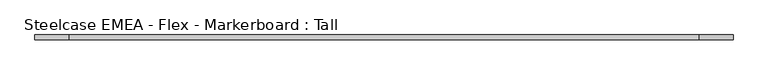
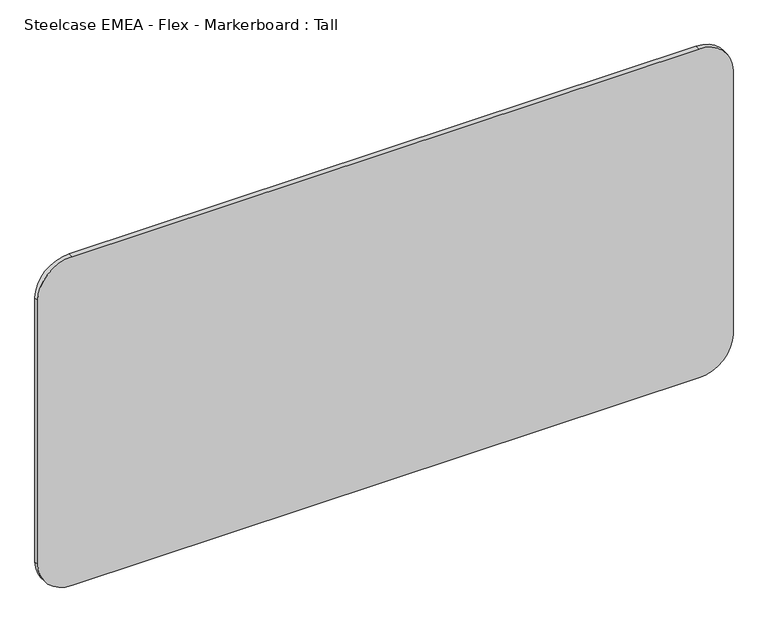
"""IFC4 building model written with IfcOpenShell, lengths in millimetres: furniture geometry, Steelcase EMEA - Flex - Markerboard : Tall."""

import ifcopenshell
import ifcopenshell.guid

model = None  # the IFC model being written
_history = None  # IfcOwnerHistory: only IFC2X3 demands one
_inside = {}  # id of a spatial element -> (the spatial element, [elements in it])
_under = {}  # id of a project, library or spatial element -> (it, [spatial elements below it])
_declared = {}  # id of a project -> (the project, [libraries it declares])
_typed = {}  # id of a type object -> (the type object, [elements of that type])
_made_of = {}  # id of a material, layer set ... -> (it, [elements and type objects made of it])


def new_model(schema):
    """Start an empty IFC model of exactly this schema.

    Asked for "IFC4X3", IfcOpenShell would pick the latest addendum, in which some entities
    have other attributes; the version numbers below select the first issue.
    IFC2X3 requires an IfcOwnerHistory on every rooted entity: one is made here for all.
    """
    global model, _history
    if schema == "IFC4X3":
        model = ifcopenshell.file(schema_version=(4, 3, 0, 0))
    else:
        model = ifcopenshell.file(schema=schema)
    _inside.clear()
    _under.clear()
    _declared.clear()
    _typed.clear()
    _made_of.clear()
    _history = None
    if model.schema == "IFC2X3":
        org = make("IfcOrganization", Name="unknown")
        user = make(
            "IfcPersonAndOrganization",
            ThePerson=make("IfcPerson", FamilyName="unknown"),
            TheOrganization=org,
        )
        app = make(
            "IfcApplication",
            ApplicationDeveloper=org,
            Version="unknown",
            ApplicationFullName="unknown",
            ApplicationIdentifier="unknown",
        )
        _history = make(
            "IfcOwnerHistory",
            OwningUser=user,
            OwningApplication=app,
            ChangeAction="ADDED",
            CreationDate=0,
        )
    return model


def make(cls, **values):
    """One entity of the class cls with the attributes given. An attribute that is None is left unset."""
    return model.create_entity(
        cls, **{name: value for name, value in values.items() if value is not None}
    )


def rooted(cls, **values):
    """An entity with a GlobalId (a new one), such as an element, a storey or a relation."""
    return make(cls, GlobalId=ifcopenshell.guid.new(), OwnerHistory=_history, **values)


def si_unit(unit_type, name, prefix=None):
    """IfcSIUnit, for example si_unit("LENGTHUNIT", "METRE", prefix="MILLI")."""
    return make("IfcSIUnit", UnitType=unit_type, Prefix=prefix, Name=name)


def assignment(units):
    """IfcUnitAssignment: the units of a project."""
    return None if units is None else make("IfcUnitAssignment", Units=units)


def point(xyz):
    """IfcCartesianPoint."""
    return None if xyz is None else make("IfcCartesianPoint", Coordinates=xyz)


def direction(xyz):
    """IfcDirection."""
    return None if xyz is None else make("IfcDirection", DirectionRatios=xyz)


def frame(location, z_axis=None, x_axis=None):
    """IfcAxis2Placement3D, a coordinate frame: its origin and axes. An axis left out is left unset."""
    return make(
        "IfcAxis2Placement3D",
        Location=point(location),
        Axis=direction(z_axis),
        RefDirection=direction(x_axis),
    )


def frame_2d(location, x_axis=None):
    """IfcAxis2Placement2D, a coordinate frame in the plane: its origin and x axis."""
    return make(
        "IfcAxis2Placement2D", Location=point(location), RefDirection=direction(x_axis)
    )


def origin():
    """The frame at (0, 0, 0) with its axes left unset."""
    return frame((0.0, 0.0, 0.0))


def place(relative_to, where):
    """IfcLocalPlacement: puts the frame where relative to a parent placement (None: the world)."""
    return make(
        "IfcLocalPlacement", PlacementRelTo=relative_to, RelativePlacement=where
    )


def context(
    kind, dimensions, precision=None, world=None, true_north=None, identifier=None
):
    """IfcGeometricRepresentationContext, for example the 3D "Model" context."""
    return make(
        "IfcGeometricRepresentationContext",
        ContextIdentifier=identifier,
        ContextType=kind,
        CoordinateSpaceDimension=dimensions,
        Precision=precision,
        WorldCoordinateSystem=world,
        TrueNorth=true_north,
    )


def project(units=None, contexts=None):
    """IfcProject with its units and contexts."""
    return rooted(
        "IfcProject",
        Name="project",
        RepresentationContexts=contexts,
        UnitsInContext=assignment(units),
    )


def spatial(cls, under=None, at=None, **own):
    """A site, building, storey or space (cls), placed at a placement, below another one or the project."""
    s = rooted(cls, ObjectPlacement=at, **own)
    if under is not None:
        _under.setdefault(under.id(), (under, []))[1].append(s)
    return s


def polyline(points):
    """IfcPolyline through the points."""
    return make("IfcPolyline", Points=[point(p) for p in points])


def circle_curve(where, radius):
    """IfcCircle in the frame where."""
    return make("IfcCircle", Position=where, Radius=radius)


def trimmed(basis, trim1, trim2, sense, master):
    """IfcTrimmedCurve: the piece of a basis curve between two trims."""
    return make(
        "IfcTrimmedCurve",
        BasisCurve=basis,
        Trim1=trim1,
        Trim2=trim2,
        SenseAgreement=sense,
        MasterRepresentation=master,
    )


def segment(curve, same_sense, transition):
    """IfcCompositeCurveSegment."""
    return make(
        "IfcCompositeCurveSegment",
        Transition=transition,
        SameSense=same_sense,
        ParentCurve=curve,
    )


def composite_curve(segments, self_intersect=None):
    """IfcCompositeCurve: segments joined end to end."""
    return make("IfcCompositeCurve", Segments=segments, SelfIntersect=self_intersect)


def outline(outer, holes=None, kind="AREA"):
    """IfcArbitraryClosedProfileDef: a profile drawn as a closed curve; with holes, ...WithVoids."""
    if holes is None:
        return make("IfcArbitraryClosedProfileDef", ProfileType=kind, OuterCurve=outer)
    return make(
        "IfcArbitraryProfileDefWithVoids",
        ProfileType=kind,
        OuterCurve=outer,
        InnerCurves=holes,
    )


def extrude(swept, where, along, depth):
    """IfcExtrudedAreaSolid: the profile swept, set in the frame where, extruded along a direction by depth."""
    return make(
        "IfcExtrudedAreaSolid",
        SweptArea=swept,
        Position=where,
        ExtrudedDirection=direction(along),
        Depth=depth,
    )


def shape(context_of_items, identifier, shape_type, items):
    """IfcShapeRepresentation: the items that make up one representation, for example the "Body"."""
    return make(
        "IfcShapeRepresentation",
        ContextOfItems=context_of_items,
        RepresentationIdentifier=identifier,
        RepresentationType=shape_type,
        Items=items,
    )


def source(mapping_origin, context_of_items, identifier, shape_type, items):
    """IfcRepresentationMap: a shape defined once, which mapped items show again and again."""
    return make(
        "IfcRepresentationMap",
        MappingOrigin=mapping_origin,
        MappedRepresentation=shape(context_of_items, identifier, shape_type, items),
    )


def transform(
    local_origin,
    x_axis=None,
    y_axis=None,
    z_axis=None,
    scale=None,
    scale2=None,
    scale3=None,
    uniform=True,
):
    """IfcCartesianTransformationOperator3D, or its non-uniform kind. x_axis, y_axis, z_axis: its Axis1, 2, 3."""
    if uniform:
        return make(
            "IfcCartesianTransformationOperator3D",
            Axis1=direction(x_axis),
            Axis2=direction(y_axis),
            LocalOrigin=point(local_origin),
            Scale=scale,
            Axis3=direction(z_axis),
        )
    return make(
        "IfcCartesianTransformationOperator3DnonUniform",
        Axis1=direction(x_axis),
        Axis2=direction(y_axis),
        LocalOrigin=point(local_origin),
        Scale=scale,
        Axis3=direction(z_axis),
        Scale2=scale2,
        Scale3=scale3,
    )


def mapped(mapping_source, mapping_target):
    """IfcMappedItem: shows the shape of a source again, moved by a transform."""
    return make(
        "IfcMappedItem", MappingSource=mapping_source, MappingTarget=mapping_target
    )


def made_of(thing, what):
    """Note that an element or type object is made of a material, layer set ...; save() writes the relation."""
    if what is not None:
        _made_of.setdefault(what.id(), (what, []))[1].append(thing)
    return thing


def element(
    cls,
    number,
    at=None,
    inside=None,
    cuts=None,
    type_object=None,
    material=None,
    context=None,
    identifier="Body",
    shape_type=None,
    held_by="IfcProductDefinitionShape",
    body=None,
    shapes=None,
    **own,
):
    """One element of the class cls, such as IfcWall. Its Tag is "e" and its number.

    at: its placement. inside: the storey or other place that contains it. cuts: it is an
    opening in that element (IfcRelVoidsElement). A single representation is given by context,
    identifier, shape_type and body (its items); several are given by shapes. held_by: the class
    of the entity that holds the representations. save() writes the other relations.
    """
    e = rooted(cls, Tag="e%d" % number, ObjectPlacement=at, **own)
    if body is not None:
        shapes = [shape(context, identifier, shape_type, body)]
    if shapes is not None:
        e.Representation = make(held_by, Representations=shapes)
    if inside is not None:
        _inside.setdefault(inside.id(), (inside, []))[1].append(e)
    if cuts is not None:
        rooted(
            "IfcRelVoidsElement", RelatingBuildingElement=cuts, RelatedOpeningElement=e
        )
    if type_object is not None:
        _typed.setdefault(type_object.id(), (type_object, []))[1].append(e)
    return made_of(e, material)


def aggregate(whole, parts):
    """IfcRelAggregates: a whole, such as a stair, and the parts it consists of."""
    return rooted("IfcRelAggregates", RelatingObject=whole, RelatedObjects=parts)


def save(model, path):
    """Write the relations noted so far, then the file.

    IfcRelAggregates (storeys below a building ...), IfcRelContainedInSpatialStructure (elements
    in a storey), IfcRelDefinesByType, IfcRelAssociatesMaterial and IfcRelDeclares: one each for
    every whole, place, type object, material and project.
    """
    for whole, parts in _under.values():
        aggregate(whole, parts)
    for where, things in _inside.values():
        rooted(
            "IfcRelContainedInSpatialStructure",
            RelatedElements=things,
            RelatingStructure=where,
        )
    for kind, things in _typed.values():
        rooted("IfcRelDefinesByType", RelatedObjects=things, RelatingType=kind)
    for what, things in _made_of.values():
        rooted("IfcRelAssociatesMaterial", RelatedObjects=things, RelatingMaterial=what)
    for by, libraries in _declared.values():
        rooted("IfcRelDeclares", RelatingContext=by, RelatedDefinitions=libraries)
    model.write(path)


def steelcase_emea_flex_markerboard_tall_77942d52(model_context):
    return source(origin(), model_context, "Body", "SweptSolid", [
        extrude(outline(composite_curve([segment(polyline([(900.0, 1711.1), (900.0, 88.9)]), True, "CONTINUOUS"), segment(trimmed(circle_curve(frame_2d((811.1, 88.9)), 88.9), [point((900.0, 88.9))], [point((811.1, 0.0))], False, "CARTESIAN"), True, "CONTINUOUS"), segment(polyline([(811.1, 0.0), (88.9, 0.0)]), True, "CONTINUOUS"), segment(trimmed(circle_curve(frame_2d((88.9, 88.9)), 88.9), [point((88.9, 0.0))], [point((0.0, 88.9))], False, "CARTESIAN"), True, "CONTINUOUS"), segment(polyline([(0.0, 88.9), (0.0, 1711.1)]), True, "CONTINUOUS"), segment(trimmed(circle_curve(frame_2d((88.9, 1711.1)), 88.9), [point((0.0, 1711.1))], [point((88.9, 1800.0))], False, "CARTESIAN"), True, "CONTINUOUS"), segment(polyline([(88.9, 1800.0), (811.1, 1800.0)]), True, "CONTINUOUS"), segment(trimmed(circle_curve(frame_2d((811.1, 1711.1)), 88.9), [point((811.1, 1800.0))], [point((900.0, 1711.1))], False, "CARTESIAN"), True, "CONTINUOUS")], self_intersect=False)), frame((0.0, -12.6929538, 0.0), z_axis=(0.0, 1.0, 0.0), x_axis=(0.0, 0.0, 1.0)), (0.0, 0.0, 1.0), 12.6929538),
    ])


if __name__ == "__main__":
    model = new_model("IFC4")
    model_context = context("Model", 3, world=origin())
    ifc_project = project(units=[si_unit("LENGTHUNIT", "METRE", prefix="MILLI")], contexts=[model_context])
    site = spatial("IfcSite", under=ifc_project)
    building = spatial("IfcBuilding", under=site)
    placement = place(None, origin())
    steelcase_emea_flex_markerboard_tall_shape = steelcase_emea_flex_markerboard_tall_77942d52(model_context)
    element("IfcFurniture", 1, ObjectType="Steelcase EMEA - Flex - Markerboard : Tall", at=placement, inside=building, context=model_context, shape_type="MappedRepresentation", body=[
        mapped(steelcase_emea_flex_markerboard_tall_shape, transform((0.0, 0.0, 0.0), x_axis=(1.0, 0.0, 0.0), y_axis=(0.0, 1.0, 0.0), z_axis=(0.0, 0.0, 1.0))),
    ])
    save(model, "model.ifc")
